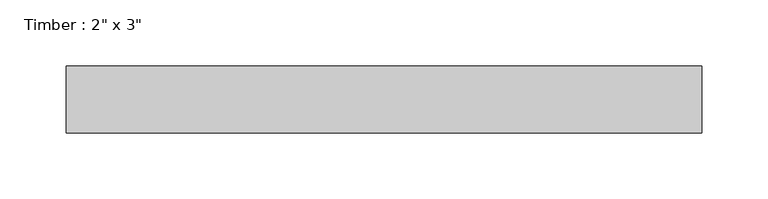
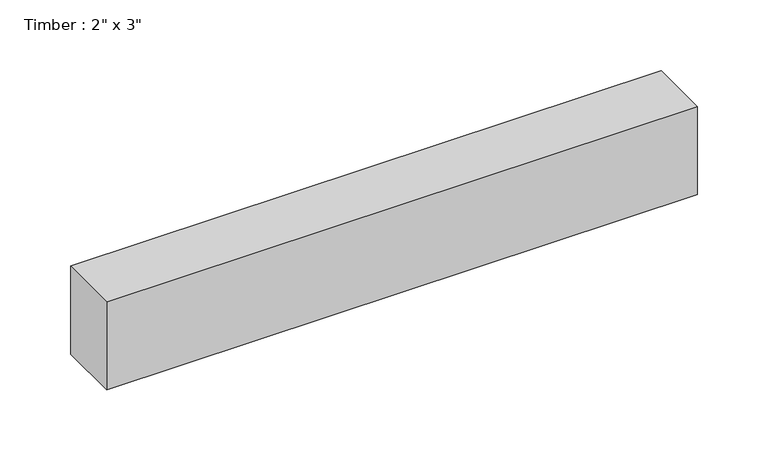
"""IFC4 building model written with IfcOpenShell, lengths in millimetres: beam geometry."""

import ifcopenshell
import ifcopenshell.guid

model = None  # the IFC model being written
_history = None  # IfcOwnerHistory: only IFC2X3 demands one
_inside = {}  # id of a spatial element -> (the spatial element, [elements in it])
_under = {}  # id of a project, library or spatial element -> (it, [spatial elements below it])
_declared = {}  # id of a project -> (the project, [libraries it declares])
_typed = {}  # id of a type object -> (the type object, [elements of that type])
_made_of = {}  # id of a material, layer set ... -> (it, [elements and type objects made of it])


def new_model(schema):
    """Start an empty IFC model of exactly this schema.

    Asked for "IFC4X3", IfcOpenShell would pick the latest addendum, in which some entities
    have other attributes; the version numbers below select the first issue.
    IFC2X3 requires an IfcOwnerHistory on every rooted entity: one is made here for all.
    """
    global model, _history
    if schema == "IFC4X3":
        model = ifcopenshell.file(schema_version=(4, 3, 0, 0))
    else:
        model = ifcopenshell.file(schema=schema)
    _inside.clear()
    _under.clear()
    _declared.clear()
    _typed.clear()
    _made_of.clear()
    _history = None
    if model.schema == "IFC2X3":
        org = make("IfcOrganization", Name="unknown")
        user = make(
            "IfcPersonAndOrganization",
            ThePerson=make("IfcPerson", FamilyName="unknown"),
            TheOrganization=org,
        )
        app = make(
            "IfcApplication",
            ApplicationDeveloper=org,
            Version="unknown",
            ApplicationFullName="unknown",
            ApplicationIdentifier="unknown",
        )
        _history = make(
            "IfcOwnerHistory",
            OwningUser=user,
            OwningApplication=app,
            ChangeAction="ADDED",
            CreationDate=0,
        )
    return model


def make(cls, **values):
    """One entity of the class cls with the attributes given. An attribute that is None is left unset."""
    return model.create_entity(
        cls, **{name: value for name, value in values.items() if value is not None}
    )


def rooted(cls, **values):
    """An entity with a GlobalId (a new one), such as an element, a storey or a relation."""
    return make(cls, GlobalId=ifcopenshell.guid.new(), OwnerHistory=_history, **values)


def si_unit(unit_type, name, prefix=None):
    """IfcSIUnit, for example si_unit("LENGTHUNIT", "METRE", prefix="MILLI")."""
    return make("IfcSIUnit", UnitType=unit_type, Prefix=prefix, Name=name)


def assignment(units):
    """IfcUnitAssignment: the units of a project."""
    return None if units is None else make("IfcUnitAssignment", Units=units)


def point(xyz):
    """IfcCartesianPoint."""
    return None if xyz is None else make("IfcCartesianPoint", Coordinates=xyz)


def direction(xyz):
    """IfcDirection."""
    return None if xyz is None else make("IfcDirection", DirectionRatios=xyz)


def frame(location, z_axis=None, x_axis=None):
    """IfcAxis2Placement3D, a coordinate frame: its origin and axes. An axis left out is left unset."""
    return make(
        "IfcAxis2Placement3D",
        Location=point(location),
        Axis=direction(z_axis),
        RefDirection=direction(x_axis),
    )


def origin():
    """The frame at (0, 0, 0) with its axes left unset."""
    return frame((0.0, 0.0, 0.0))


def place(relative_to, where):
    """IfcLocalPlacement: puts the frame where relative to a parent placement (None: the world)."""
    return make(
        "IfcLocalPlacement", PlacementRelTo=relative_to, RelativePlacement=where
    )


def context(
    kind, dimensions, precision=None, world=None, true_north=None, identifier=None
):
    """IfcGeometricRepresentationContext, for example the 3D "Model" context."""
    return make(
        "IfcGeometricRepresentationContext",
        ContextIdentifier=identifier,
        ContextType=kind,
        CoordinateSpaceDimension=dimensions,
        Precision=precision,
        WorldCoordinateSystem=world,
        TrueNorth=true_north,
    )


def project(units=None, contexts=None):
    """IfcProject with its units and contexts."""
    return rooted(
        "IfcProject",
        Name="project",
        RepresentationContexts=contexts,
        UnitsInContext=assignment(units),
    )


def spatial(cls, under=None, at=None, **own):
    """A site, building, storey or space (cls), placed at a placement, below another one or the project."""
    s = rooted(cls, ObjectPlacement=at, **own)
    if under is not None:
        _under.setdefault(under.id(), (under, []))[1].append(s)
    return s


def polyline(points):
    """IfcPolyline through the points."""
    return make("IfcPolyline", Points=[point(p) for p in points])


def outline(outer, holes=None, kind="AREA"):
    """IfcArbitraryClosedProfileDef: a profile drawn as a closed curve; with holes, ...WithVoids."""
    if holes is None:
        return make("IfcArbitraryClosedProfileDef", ProfileType=kind, OuterCurve=outer)
    return make(
        "IfcArbitraryProfileDefWithVoids",
        ProfileType=kind,
        OuterCurve=outer,
        InnerCurves=holes,
    )


def extrude(swept, where, along, depth):
    """IfcExtrudedAreaSolid: the profile swept, set in the frame where, extruded along a direction by depth."""
    return make(
        "IfcExtrudedAreaSolid",
        SweptArea=swept,
        Position=where,
        ExtrudedDirection=direction(along),
        Depth=depth,
    )


def shape(context_of_items, identifier, shape_type, items):
    """IfcShapeRepresentation: the items that make up one representation, for example the "Body"."""
    return make(
        "IfcShapeRepresentation",
        ContextOfItems=context_of_items,
        RepresentationIdentifier=identifier,
        RepresentationType=shape_type,
        Items=items,
    )


def source(mapping_origin, context_of_items, identifier, shape_type, items):
    """IfcRepresentationMap: a shape defined once, which mapped items show again and again."""
    return make(
        "IfcRepresentationMap",
        MappingOrigin=mapping_origin,
        MappedRepresentation=shape(context_of_items, identifier, shape_type, items),
    )


def transform(
    local_origin,
    x_axis=None,
    y_axis=None,
    z_axis=None,
    scale=None,
    scale2=None,
    scale3=None,
    uniform=True,
):
    """IfcCartesianTransformationOperator3D, or its non-uniform kind. x_axis, y_axis, z_axis: its Axis1, 2, 3."""
    if uniform:
        return make(
            "IfcCartesianTransformationOperator3D",
            Axis1=direction(x_axis),
            Axis2=direction(y_axis),
            LocalOrigin=point(local_origin),
            Scale=scale,
            Axis3=direction(z_axis),
        )
    return make(
        "IfcCartesianTransformationOperator3DnonUniform",
        Axis1=direction(x_axis),
        Axis2=direction(y_axis),
        LocalOrigin=point(local_origin),
        Scale=scale,
        Axis3=direction(z_axis),
        Scale2=scale2,
        Scale3=scale3,
    )


def mapped(mapping_source, mapping_target):
    """IfcMappedItem: shows the shape of a source again, moved by a transform."""
    return make(
        "IfcMappedItem", MappingSource=mapping_source, MappingTarget=mapping_target
    )


def made_of(thing, what):
    """Note that an element or type object is made of a material, layer set ...; save() writes the relation."""
    if what is not None:
        _made_of.setdefault(what.id(), (what, []))[1].append(thing)
    return thing


def element(
    cls,
    number,
    at=None,
    inside=None,
    cuts=None,
    type_object=None,
    material=None,
    context=None,
    identifier="Body",
    shape_type=None,
    held_by="IfcProductDefinitionShape",
    body=None,
    shapes=None,
    **own,
):
    """One element of the class cls, such as IfcWall. Its Tag is "e" and its number.

    at: its placement. inside: the storey or other place that contains it. cuts: it is an
    opening in that element (IfcRelVoidsElement). A single representation is given by context,
    identifier, shape_type and body (its items); several are given by shapes. held_by: the class
    of the entity that holds the representations. save() writes the other relations.
    """
    e = rooted(cls, Tag="e%d" % number, ObjectPlacement=at, **own)
    if body is not None:
        shapes = [shape(context, identifier, shape_type, body)]
    if shapes is not None:
        e.Representation = make(held_by, Representations=shapes)
    if inside is not None:
        _inside.setdefault(inside.id(), (inside, []))[1].append(e)
    if cuts is not None:
        rooted(
            "IfcRelVoidsElement", RelatingBuildingElement=cuts, RelatedOpeningElement=e
        )
    if type_object is not None:
        _typed.setdefault(type_object.id(), (type_object, []))[1].append(e)
    return made_of(e, material)


def aggregate(whole, parts):
    """IfcRelAggregates: a whole, such as a stair, and the parts it consists of."""
    return rooted("IfcRelAggregates", RelatingObject=whole, RelatedObjects=parts)


def save(model, path):
    """Write the relations noted so far, then the file.

    IfcRelAggregates (storeys below a building ...), IfcRelContainedInSpatialStructure (elements
    in a storey), IfcRelDefinesByType, IfcRelAssociatesMaterial and IfcRelDeclares: one each for
    every whole, place, type object, material and project.
    """
    for whole, parts in _under.values():
        aggregate(whole, parts)
    for where, things in _inside.values():
        rooted(
            "IfcRelContainedInSpatialStructure",
            RelatedElements=things,
            RelatingStructure=where,
        )
    for kind, things in _typed.values():
        rooted("IfcRelDefinesByType", RelatedObjects=things, RelatingType=kind)
    for what, things in _made_of.values():
        rooted("IfcRelAssociatesMaterial", RelatedObjects=things, RelatingMaterial=what)
    for by, libraries in _declared.values():
        rooted("IfcRelDeclares", RelatingContext=by, RelatedDefinitions=libraries)
    model.write(path)


def beam_6dcf1c40(model_context):
    return source(origin(), model_context, "Body", "SweptSolid", [
        extrude(outline(polyline([(240.7611018, -25.4), (-240.7611018, -25.4), (-240.7611018, 25.4), (240.7611018, 25.4), (240.7611018, -25.4)])), frame((0.0, 0.0, -38.1), z_axis=(0.0, 0.0, 1.0), x_axis=(1.0, 0.0, 0.0)), (0.0, 0.0, 1.0), 76.2),
    ])


if __name__ == "__main__":
    model = new_model("IFC4")
    model_context = context("Model", 3, world=origin())
    ifc_project = project(units=[si_unit("LENGTHUNIT", "METRE", prefix="MILLI")], contexts=[model_context])
    site = spatial("IfcSite", under=ifc_project)
    building = spatial("IfcBuilding", under=site)
    placement = place(None, origin())
    beam_shape = beam_6dcf1c40(model_context)
    element("IfcBeam", 1, ObjectType="Timber : 2\" x 3\"", at=placement, inside=building, context=model_context, shape_type="MappedRepresentation", body=[
        mapped(beam_shape, transform((0.0, 0.0, 0.0), x_axis=(1.0, 0.0, 0.0), y_axis=(0.0, 1.0, 0.0), z_axis=(0.0, 0.0, 1.0))),
    ])
    save(model, "model.ifc")
